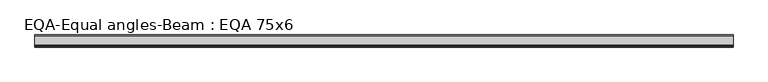
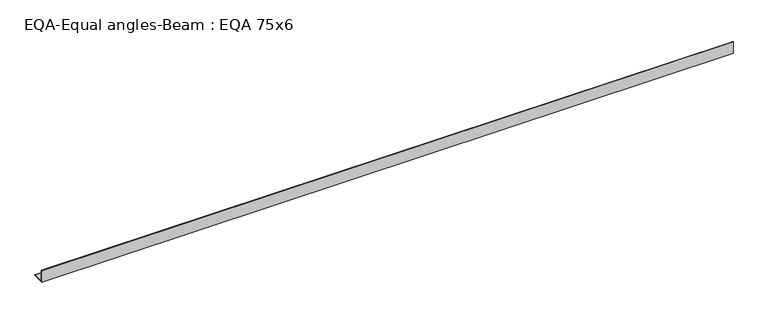
"""IFC4 building model written with IfcOpenShell, lengths in millimetres: beam geometry, EQA-Equal angles-Beam : EQA 75x6."""

from ifc_helpers import new_model, si_unit, point, frame, frame_2d, origin, place, context, project, spatial, polyline, circle_curve, trimmed, segment, composite_curve, outline, extrude, source, transform, mapped, element, save


def eqa_equal_angles_beam_eqa_75x6_64e4bc59(model_context):
    return source(origin(), model_context, "Body", "SweptSolid", [
        extrude(outline(composite_curve([segment(polyline([(-20.5, -20.5), (-20.5, 54.5), (-19.0, 54.5)]), True, "CONTINUOUS"), segment(trimmed(circle_curve(frame_2d((-19.0, 50.0)), 4.5), [point((-19.0, 54.5))], [point((-14.5, 50.0))], False, "CARTESIAN"), True, "CONTINUOUS"), segment(polyline([(-14.5, 50.0), (-14.5, -5.5)]), True, "CONTINUOUS"), segment(trimmed(circle_curve(frame_2d((-5.5, -5.5)), 9.0), [point((-14.5, -5.5))], [point((-5.5, -14.5))], True, "CARTESIAN"), True, "CONTINUOUS"), segment(polyline([(-5.5, -14.5), (50.0, -14.5)]), True, "CONTINUOUS"), segment(trimmed(circle_curve(frame_2d((50.0, -19.0)), 4.5), [point((50.0, -14.5))], [point((54.5, -19.0))], False, "CARTESIAN"), True, "CONTINUOUS"), segment(polyline([(54.5, -19.0), (54.5, -20.5), (-20.5, -20.5)]), True, "CONTINUOUS")], self_intersect=False)), frame((-2198.5642956, 0.0, 0.0), z_axis=(1.0, 0.0, 0.0), x_axis=(0.0, 1.0, 0.0)), (0.0, 0.0, 1.0), 4313.6889519),
    ])


if __name__ == "__main__":
    model = new_model("IFC4")
    model_context = context("Model", 3, world=origin())
    ifc_project = project(units=[si_unit("LENGTHUNIT", "METRE", prefix="MILLI")], contexts=[model_context])
    site = spatial("IfcSite", under=ifc_project)
    building = spatial("IfcBuilding", under=site)
    placement = place(None, origin())
    eqa_equal_angles_beam_eqa_75x6_shape = eqa_equal_angles_beam_eqa_75x6_64e4bc59(model_context)
    element("IfcBeam", 1, ObjectType="EQA-Equal angles-Beam : EQA 75x6", at=placement, inside=building, context=model_context, shape_type="MappedRepresentation", body=[
        mapped(eqa_equal_angles_beam_eqa_75x6_shape, transform((0.0, 0.0, 0.0), x_axis=(1.0, 0.0, 0.0), y_axis=(0.0, 1.0, 0.0), z_axis=(0.0, 0.0, 1.0))),
    ])
    save(model, "model.ifc")
